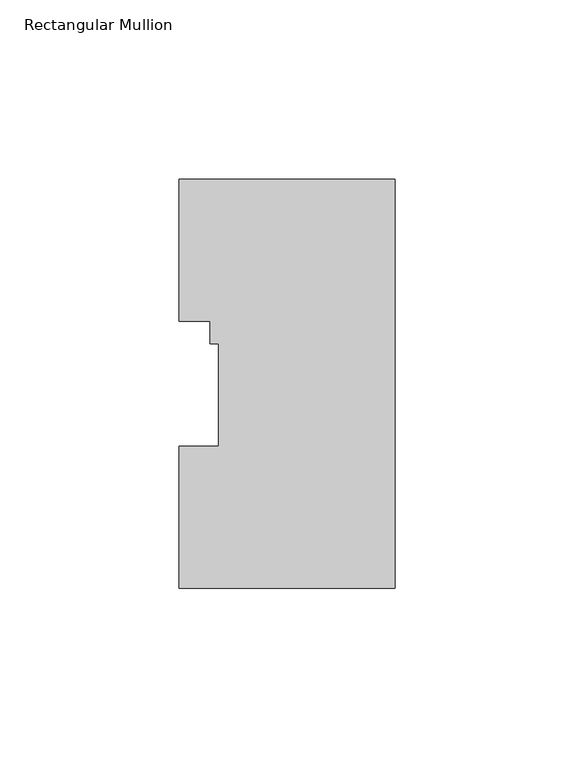
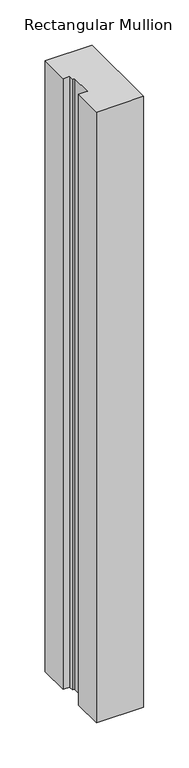
"""IFC4 building model written with IfcOpenShell, lengths in millimetres: member geometry, Rectangular Mullion."""

from ifc_helpers import new_model, si_unit, frame, origin, place, context, project, spatial, polyline, outline, extrude, source, transform, mapped, element, save


def rectangular_mullion_816261c6(model_context):
    return source(origin(), model_context, "Body", "SweptSolid", [
        extrude(outline(polyline([(0.0, 114.271425), (0.0, -0.028575), (-60.325, -0.028575), (-60.325, 39.646225), (-49.2125, 39.646225), (-49.2125, 68.246625), (-51.5874, 68.246625), (-51.5874, 74.596625), (-60.325, 74.596625), (-60.325, 114.271425), (0.0, 114.271425)])), frame((0.0, 0.0, -825.5), z_axis=(0.0, 0.0, 1.0), x_axis=(1.0, 0.0, 0.0)), (0.0, 0.0, 1.0), 825.5),
    ])


if __name__ == "__main__":
    model = new_model("IFC4")
    model_context = context("Model", 3, world=origin())
    ifc_project = project(units=[si_unit("LENGTHUNIT", "METRE", prefix="MILLI")], contexts=[model_context])
    site = spatial("IfcSite", under=ifc_project)
    building = spatial("IfcBuilding", under=site)
    placement = place(None, origin())
    rectangular_mullion_shape = rectangular_mullion_816261c6(model_context)
    element("IfcMember", 1, ObjectType="Rectangular Mullion", at=placement, inside=building, context=model_context, shape_type="MappedRepresentation", body=[
        mapped(rectangular_mullion_shape, transform((0.0, 0.0, 0.0), x_axis=(1.0, 0.0, 0.0), y_axis=(0.0, 1.0, 0.0), z_axis=(0.0, 0.0, 1.0))),
    ])
    save(model, "model.ifc")
